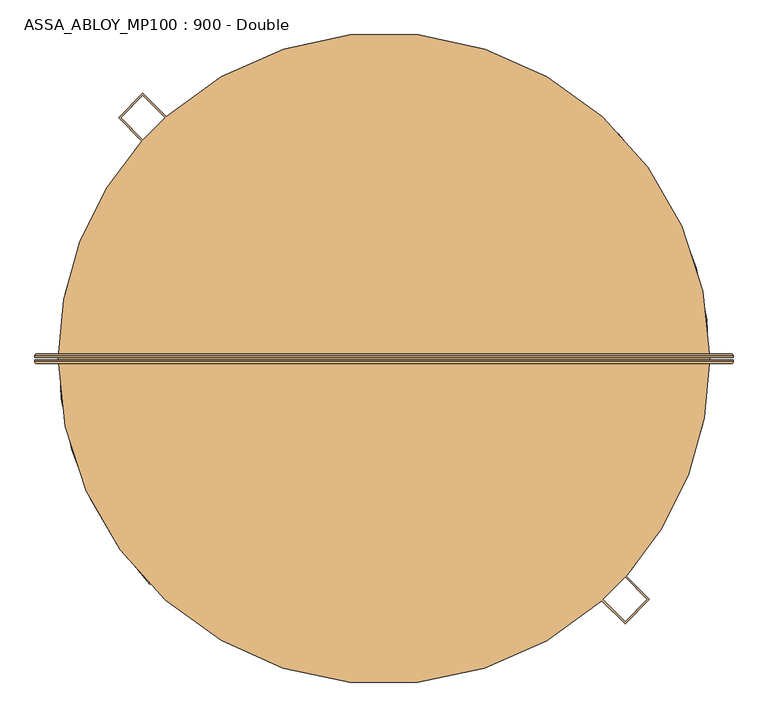
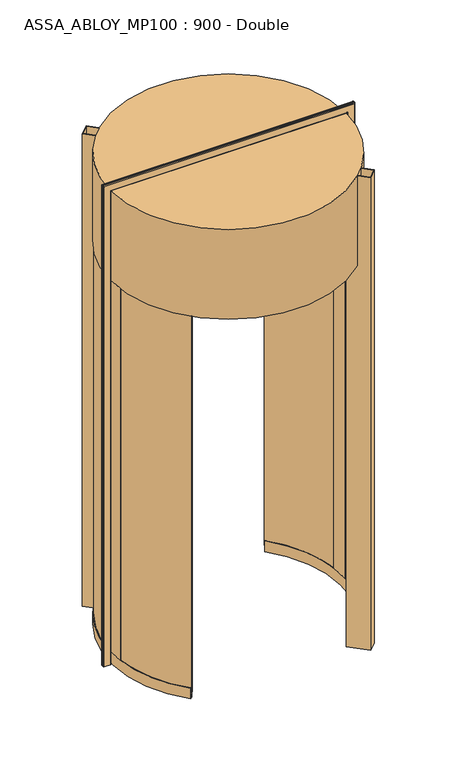
"""IFC4 building model written with IfcOpenShell, lengths in millimetres: door geometry, ASSA_ABLOY_MP100 : 900 - Double."""

from ifc_helpers import new_model, si_unit, point, frame, frame_2d, origin, place, context, project, spatial, polyline, circle_curve, ellipse_curve, trimmed, segment, composite_curve, outline, extrude, source, transform, mapped, element, save
from ifc_brep_helpers import plane_surface, cylinder_surface, revolved_surface, advanced_brep


def assa_abloy_mp100_900_double_1de7a2d5(model_context):
    return source(origin(), model_context, "Body", "SolidModel", [
        advanced_brep(
        [(930.0980762, 11.0, 0.0), (934.0980762, 7.0, 0.0), (934.0980762, 3.0, 0.0), (932.0980762, 3.0, 0.0), (932.0980762, 7.0, 0.0), (930.0980762, 9.0, 0.0), (888.0980762, 9.0, 0.0), (886.0980762, 7.0, 0.0), (886.0980762, 3.0, 0.0), (884.0980762, 3.0, 0.0), (884.0980762, 7.0, 0.0), (888.0980762, 11.0, 0.0), (930.0980762, 11.0, 3260.9980762), (934.0980762, 7.0, 3264.9980762), (934.0980762, 3.0, 3264.9980762), (884.0980762, 7.0, 3214.9980762), (888.0980762, 11.0, 3218.9980762), (-638.0980762, 11.0, 3218.9980762), (-638.0980762, 11.0, 0.0), (-680.0980762, 11.0, 0.0), (-680.0980762, 11.0, 3260.9980762), (-684.0980762, 7.0, 3264.9980762), (-684.0980762, 3.0, 3264.9980762), (-634.0980762, 7.0, 3214.9980762), (-634.0980762, 7.0, 0.0), (-634.0980762, 3.0, 0.0), (-636.0980762, 3.0, 0.0), (-636.0980762, 7.0, 0.0), (-638.0980762, 9.0, 0.0), (-680.0980762, 9.0, 0.0), (-682.0980762, 7.0, 0.0), (-682.0980762, 3.0, 0.0), (-684.0980762, 3.0, 0.0), (-684.0980762, 7.0, 0.0), (-682.0980762, 3.0, 3262.9980762), (932.0980762, 3.0, 3262.9980762), (932.0980762, 7.0, 3262.9980762), (930.0980762, 9.0, 3260.9980762), (-680.0980762, 9.0, 3260.9980762), (-638.0980762, 9.0, 3218.9980762), (888.0980762, 9.0, 3218.9980762), (886.0980762, 7.0, 3216.9980762), (886.0980762, 3.0, 3216.9980762), (-636.0980762, 3.0, 3216.9980762), (-634.0980762, 3.0, 3214.9980762), (884.0980762, 3.0, 3214.9980762), (-682.0980762, 7.0, 3262.9980762), (-636.0980762, 7.0, 3216.9980762)],
        [
            (0, 1, circle_curve(frame((930.0980762, 7.0, 0.0), z_axis=(0.0, 0.0, -1.0), x_axis=(-1.0, 0.0, 0.0)), 4.0)),
            (1, 2),
            (2, 3),
            (3, 4),
            (4, 5, circle_curve(frame((930.0980762, 7.0, 0.0), z_axis=(0.0, 0.0, 1.0), x_axis=(-1.0, 0.0, 0.0)), 2.0)),
            (5, 6),
            (6, 7, circle_curve(frame((888.0980762, 7.0, 0.0), z_axis=(0.0, 0.0, 1.0), x_axis=(-1.0, 0.0, 0.0)), 2.0)),
            (7, 8),
            (8, 9),
            (9, 10),
            (10, 11, circle_curve(frame((888.0980762, 7.0, 0.0), z_axis=(0.0, 0.0, -1.0), x_axis=(-1.0, 0.0, 0.0)), 4.0)),
            (11, 0),
            (0, 12),
            (12, 13, ellipse_curve(frame((930.0980762, 7.0, 3260.9980762), z_axis=(0.7071067811865475, 0.0, -0.7071067811865475), x_axis=(-0.7071067811865474, 0.0, -0.7071067811865476)), 5.6568542, 4.0)),
            (13, 1),
            (13, 14),
            (14, 2),
            (10, 15),
            (15, 16, ellipse_curve(frame((888.0980762, 7.0, 3218.9980762), z_axis=(0.7071067811865475, 0.0, -0.7071067811865475), x_axis=(-0.7071067811865474, 0.0, -0.7071067811865476)), 5.6568542, 4.0)),
            (16, 11),
            (16, 17),
            (17, 18),
            (18, 19),
            (19, 20),
            (20, 12),
            (20, 21, ellipse_curve(frame((-680.0980762, 7.0, 3260.9980762), z_axis=(0.7071067811865475, 0.0, 0.7071067811865475), x_axis=(0.7071067811865476, 0.0, -0.7071067811865474)), 5.6568542, 4.0)),
            (21, 13),
            (21, 22),
            (22, 14),
            (15, 23),
            (23, 17, ellipse_curve(frame((-638.0980762, 7.0, 3218.9980762), z_axis=(0.7071067811865475, 0.0, 0.7071067811865475), x_axis=(0.7071067811865476, 0.0, -0.7071067811865474)), 5.6568542, 4.0)),
            (18, 24, circle_curve(frame((-638.0980762, 7.0, 0.0), z_axis=(0.0, 0.0, -1.0), x_axis=(1.0, 0.0, 0.0)), 4.0)),
            (24, 25),
            (25, 26),
            (26, 27),
            (27, 28, circle_curve(frame((-638.0980762, 7.0, 0.0), z_axis=(0.0, 0.0, 1.0), x_axis=(1.0, 0.0, 0.0)), 2.0)),
            (28, 29),
            (29, 30, circle_curve(frame((-680.0980762, 7.0, 0.0), z_axis=(0.0, 0.0, 1.0), x_axis=(1.0, 0.0, 0.0)), 2.0)),
            (30, 31),
            (31, 32),
            (32, 33),
            (33, 19, circle_curve(frame((-680.0980762, 7.0, 0.0), z_axis=(0.0, 0.0, -1.0), x_axis=(1.0, 0.0, 0.0)), 4.0)),
            (33, 21),
            (32, 22),
            (23, 24),
            (31, 34),
            (34, 35),
            (35, 3),
            (35, 36),
            (36, 4),
            (36, 37, ellipse_curve(frame((930.0980762, 7.0, 3260.9980762), z_axis=(-0.7071067811865475, 0.0, 0.7071067811865475), x_axis=(0.7071067811865474, 0.0, 0.7071067811865476)), 2.8284271, 2.0)),
            (37, 5),
            (37, 38),
            (38, 29),
            (28, 39),
            (39, 40),
            (40, 6),
            (40, 41, ellipse_curve(frame((888.0980762, 7.0, 3218.9980762), z_axis=(-0.7071067811865475, 0.0, 0.7071067811865475), x_axis=(0.7071067811865474, 0.0, 0.7071067811865476)), 2.8284271, 2.0)),
            (41, 7),
            (41, 42),
            (42, 8),
            (42, 43),
            (43, 26),
            (25, 44),
            (44, 45),
            (45, 9),
            (45, 15),
            (34, 46),
            (46, 36),
            (46, 38, ellipse_curve(frame((-680.0980762, 7.0, 3260.9980762), z_axis=(-0.7071067811865475, 0.0, -0.7071067811865475), x_axis=(-0.7071067811865476, 0.0, 0.7071067811865474)), 2.8284271, 2.0)),
            (39, 47, ellipse_curve(frame((-638.0980762, 7.0, 3218.9980762), z_axis=(-0.7071067811865475, 0.0, -0.7071067811865475), x_axis=(-0.7071067811865476, 0.0, 0.7071067811865474)), 2.8284271, 2.0)),
            (47, 41),
            (47, 43),
            (44, 23),
            (30, 46),
            (27, 47),
        ],
        [
            plane_surface(frame((884.1, 0.0, 0.0), z_axis=(0.0, 0.0, -1.0), x_axis=(0.0, -1.0, 0.0))),
            cylinder_surface(frame((930.0980762, 7.0, 0.0), z_axis=(0.0, 0.0, -1.0), x_axis=(-1.0, 0.0, 0.0)), 4.0),
            plane_surface(frame((934.0980762, 7.0, 0.0), z_axis=(1.0, 0.0, 0.0), x_axis=(0.0, 0.0, 1.0))),
            cylinder_surface(frame((888.0980762, 7.0, 0.0), z_axis=(0.0, 0.0, -1.0), x_axis=(-1.0, 0.0, 0.0)), 4.0),
            plane_surface(frame((888.0980762, 11.0, 0.0), z_axis=(0.0, 1.0, 0.0), x_axis=(0.0, 0.0, 1.0))),
            cylinder_surface(frame((884.1, 7.0, 3260.9980762), z_axis=(1.0, 0.0, 0.0), x_axis=(0.0, 0.0, -1.0)), 4.0),
            plane_surface(frame((934.0980762, 7.0, 3264.9980762), z_axis=(0.0, 0.0, 1.0), x_axis=(-1.0, 0.0, 0.0))),
            cylinder_surface(frame((884.1, 7.0, 3218.9980762), z_axis=(1.0, 0.0, 0.0), x_axis=(0.0, 0.0, -1.0)), 4.0),
            plane_surface(frame((-634.1, 0.0, 0.0), z_axis=(0.0, 0.0, -1.0), x_axis=(0.0, -1.0, 0.0))),
            cylinder_surface(frame((-680.0980762, 7.0, 3215.0), z_axis=(0.0, 0.0, 1.0), x_axis=(1.0, 0.0, 0.0)), 4.0),
            plane_surface(frame((-684.0980762, 7.0, 3264.9980762), z_axis=(-1.0, 0.0, 0.0), x_axis=(0.0, 0.0, -1.0))),
            cylinder_surface(frame((-638.0980762, 7.0, 3215.0), z_axis=(0.0, 0.0, 1.0), x_axis=(1.0, 0.0, 0.0)), 4.0),
            plane_surface(frame((934.0980762, 3.0, 0.0), z_axis=(0.0, -1.0, 0.0), x_axis=(0.0, 0.0, 1.0))),
            plane_surface(frame((932.0980762, 3.0, 0.0), z_axis=(-1.0, 0.0, 0.0), x_axis=(0.0, 0.0, 1.0))),
            revolved_surface(polyline([(928.0980762, 7.0, 3262.9980762), (928.0980762, 7.0, 0.0)]), (930.0980762, 7.0, 0.0), (0.0, 0.0, 1.0)),
            plane_surface(frame((930.0980762, 9.0, 0.0), z_axis=(0.0, -1.0, 0.0), x_axis=(0.0, 0.0, 1.0))),
            revolved_surface(polyline([(886.0980762, 7.0, 3220.998076182502), (886.0980762, 7.0, 0.0)]), (888.0980762, 7.0, 0.0), (0.0, 0.0, 1.0)),
            plane_surface(frame((886.0980762, 7.0, 0.0), z_axis=(1.0, 0.0, 0.0), x_axis=(0.0, 0.0, 1.0))),
            plane_surface(frame((886.0980762, 3.0, 0.0), z_axis=(0.0, -1.0, 0.0), x_axis=(0.0, 0.0, 1.0))),
            plane_surface(frame((884.0980762, 3.0, 0.0), z_axis=(-1.0, 0.0, 0.0), x_axis=(0.0, 0.0, 1.0))),
            plane_surface(frame((932.0980762, 3.0, 3262.9980762), z_axis=(0.0, 0.0, -1.0), x_axis=(-1.0, 0.0, 0.0))),
            revolved_surface(polyline([(-682.0980762, 7.0, 3258.9980762), (932.0980762, 7.0, 3258.9980762)]), (884.1, 7.0, 3260.9980762), (-1.0, 0.0, 0.0)),
            revolved_surface(polyline([(-640.0980761825018, 7.0, 3216.9980762), (890.0980761825018, 7.0, 3216.9980762)]), (884.1, 7.0, 3218.9980762), (-1.0, 0.0, 0.0)),
            plane_surface(frame((886.0980762, 7.0, 3216.9980762), z_axis=(0.0, 0.0, 1.0), x_axis=(-1.0, 0.0, 0.0))),
            plane_surface(frame((884.0980762, 3.0, 3214.9980762), z_axis=(0.0, 0.0, -1.0), x_axis=(-1.0, 0.0, 0.0))),
            plane_surface(frame((-682.0980762, 3.0, 3262.9980762), z_axis=(1.0, 0.0, 0.0), x_axis=(0.0, 0.0, -1.0))),
            revolved_surface(polyline([(-678.0980762, 7.0, 0.0), (-678.0980762, 7.0, 3262.9980762)]), (-680.0980762, 7.0, 3215.0), (0.0, 0.0, -1.0)),
            revolved_surface(polyline([(-636.0980762, 7.0, 0.0), (-636.0980762, 7.0, 3220.998076182502)]), (-638.0980762, 7.0, 3215.0), (0.0, 0.0, -1.0)),
            plane_surface(frame((-636.0980762, 7.0, 3216.9980762), z_axis=(-1.0, 0.0, 0.0), x_axis=(0.0, 0.0, -1.0))),
            plane_surface(frame((-634.0980762, 3.0, 3214.9980762), z_axis=(1.0, 0.0, 0.0), x_axis=(0.0, 0.0, -1.0))),
        ],
        [
            (0, [[1, 2, 3, 4, 5, 6, 7, 8, 9, 10, 11, 12]]),
            (1, [[-1, 13, 14, 15]]),
            (2, [[-2, -15, 16, 17]]),
            (3, [[-11, 18, 19, 20]]),
            (4, [[-12, -20, 21, 22, 23, 24, 25, -13]]),
            (5, [[-14, -25, 26, 27]]),
            (6, [[-16, -27, 28, 29]]),
            (7, [[-19, 30, 31, -21]]),
            (8, [[-23, 32, 33, 34, 35, 36, 37, 38, 39, 40, 41, 42]]),
            (9, [[-26, -24, -42, 43]]),
            (10, [[-28, -43, -41, 44]]),
            (11, [[-31, 45, -32, -22]]),
            (12, [[-3, -17, -29, -44, -40, 46, 47, 48]]),
            (13, [[-4, -48, 49, 50]]),
            (14, [[-5, -50, 51, 52]]),
            (15, [[-6, -52, 53, 54, -37, 55, 56, 57]]),
            (16, [[-7, -57, 58, 59]]),
            (17, [[-8, -59, 60, 61]]),
            (18, [[-9, -61, 62, 63, -34, 64, 65, 66]]),
            (19, [[-10, -66, 67, -18]]),
            (20, [[-49, -47, 68, 69]]),
            (21, [[-51, -69, 70, -53]]),
            (22, [[-58, -56, 71, 72]]),
            (23, [[-60, -72, 73, -62]]),
            (24, [[-67, -65, 74, -30]]),
            (25, [[-68, -46, -39, 75]]),
            (26, [[-70, -75, -38, -54]]),
            (27, [[-71, -55, -36, 76]]),
            (28, [[-73, -76, -35, -63]]),
            (29, [[-74, -64, -33, -45]]),
        ],
    ),
        advanced_brep(
        [(884.0980762, -3.0, 0.0), (886.0980762, -3.0, 0.0), (886.0980762, -7.0, 0.0), (888.0980762, -9.0, 0.0), (930.0980762, -9.0, 0.0), (932.0980762, -7.0, 0.0), (932.0980762, -3.0, 0.0), (934.0980762, -3.0, 0.0), (934.0980762, -7.0, 0.0), (930.0980762, -11.0, 0.0), (888.0980762, -11.0, 0.0), (884.0980762, -7.0, 0.0), (934.0980762, -7.0, 3264.9980762), (930.0980762, -11.0, 3260.9980762), (-680.0980762, -11.0, 3260.9980762), (-680.0980762, -11.0, 0.0), (-638.0980762, -11.0, 0.0), (-638.0980762, -11.0, 3218.9980762), (888.0980762, -11.0, 3218.9980762), (884.0980762, -7.0, 3214.9980762), (884.0980762, -3.0, 3214.9980762), (-684.0980762, -7.0, 3264.9980762), (-634.0980762, -7.0, 3214.9980762), (-634.0980762, -3.0, 3214.9980762), (-634.0980762, -3.0, 0.0), (-634.0980762, -7.0, 0.0), (-684.0980762, -7.0, 0.0), (-684.0980762, -3.0, 0.0), (-682.0980762, -3.0, 0.0), (-682.0980762, -7.0, 0.0), (-680.0980762, -9.0, 0.0), (-638.0980762, -9.0, 0.0), (-636.0980762, -7.0, 0.0), (-636.0980762, -3.0, 0.0), (-636.0980762, -3.0, 3216.9980762), (886.0980762, -3.0, 3216.9980762), (886.0980762, -7.0, 3216.9980762), (888.0980762, -9.0, 3218.9980762), (-638.0980762, -9.0, 3218.9980762), (-680.0980762, -9.0, 3260.9980762), (930.0980762, -9.0, 3260.9980762), (932.0980762, -7.0, 3262.9980762), (932.0980762, -3.0, 3262.9980762), (-682.0980762, -3.0, 3262.9980762), (-684.0980762, -3.0, 3264.9980762), (934.0980762, -3.0, 3264.9980762), (-636.0980762, -7.0, 3216.9980762), (-682.0980762, -7.0, 3262.9980762)],
        [
            (0, 1),
            (1, 2),
            (2, 3, circle_curve(frame((888.0980762, -7.0, 0.0), z_axis=(0.0, 0.0, 1.0), x_axis=(-1.0, 0.0, 0.0)), 2.0)),
            (3, 4),
            (4, 5, circle_curve(frame((930.0980762, -7.0, 0.0), z_axis=(0.0, 0.0, 1.0), x_axis=(-1.0, 0.0, 0.0)), 2.0)),
            (5, 6),
            (6, 7),
            (7, 8),
            (8, 9, circle_curve(frame((930.0980762, -7.0, 0.0), z_axis=(0.0, 0.0, -1.0), x_axis=(-1.0, 0.0, 0.0)), 4.0)),
            (9, 10),
            (10, 11, circle_curve(frame((888.0980762, -7.0, 0.0), z_axis=(0.0, 0.0, -1.0), x_axis=(-1.0, 0.0, 0.0)), 4.0)),
            (11, 0),
            (8, 12),
            (12, 13, ellipse_curve(frame((930.0980762, -7.0, 3260.9980762), z_axis=(0.7071067811865475, 0.0, -0.7071067811865475), x_axis=(-0.7071067811865474, 0.0, -0.7071067811865476)), 5.6568542, 4.0)),
            (13, 9),
            (13, 14),
            (14, 15),
            (15, 16),
            (16, 17),
            (17, 18),
            (18, 10),
            (18, 19, ellipse_curve(frame((888.0980762, -7.0, 3218.9980762), z_axis=(0.7071067811865475, 0.0, -0.7071067811865475), x_axis=(-0.7071067811865474, 0.0, -0.7071067811865476)), 5.6568542, 4.0)),
            (19, 11),
            (19, 20),
            (20, 0),
            (12, 21),
            (21, 14, ellipse_curve(frame((-680.0980762, -7.0, 3260.9980762), z_axis=(0.7071067811865475, 0.0, 0.7071067811865475), x_axis=(0.7071067811865476, 0.0, -0.7071067811865474)), 5.6568542, 4.0)),
            (17, 22, ellipse_curve(frame((-638.0980762, -7.0, 3218.9980762), z_axis=(0.7071067811865475, 0.0, 0.7071067811865475), x_axis=(0.7071067811865476, 0.0, -0.7071067811865474)), 5.6568542, 4.0)),
            (22, 19),
            (22, 23),
            (23, 20),
            (24, 25),
            (25, 16, circle_curve(frame((-638.0980762, -7.0, 0.0), z_axis=(0.0, 0.0, -1.0), x_axis=(1.0, 0.0, 0.0)), 4.0)),
            (15, 26, circle_curve(frame((-680.0980762, -7.0, 0.0), z_axis=(0.0, 0.0, -1.0), x_axis=(1.0, 0.0, 0.0)), 4.0)),
            (26, 27),
            (27, 28),
            (28, 29),
            (29, 30, circle_curve(frame((-680.0980762, -7.0, 0.0), z_axis=(0.0, 0.0, 1.0), x_axis=(1.0, 0.0, 0.0)), 2.0)),
            (30, 31),
            (31, 32, circle_curve(frame((-638.0980762, -7.0, 0.0), z_axis=(0.0, 0.0, 1.0), x_axis=(1.0, 0.0, 0.0)), 2.0)),
            (32, 33),
            (33, 24),
            (21, 26),
            (25, 22),
            (24, 23),
            (33, 34),
            (34, 35),
            (35, 1),
            (35, 36),
            (36, 2),
            (36, 37, ellipse_curve(frame((888.0980762, -7.0, 3218.9980762), z_axis=(-0.7071067811865475, 0.0, 0.7071067811865475), x_axis=(0.7071067811865474, 0.0, 0.7071067811865476)), 2.8284271, 2.0)),
            (37, 3),
            (37, 38),
            (38, 31),
            (30, 39),
            (39, 40),
            (40, 4),
            (40, 41, ellipse_curve(frame((930.0980762, -7.0, 3260.9980762), z_axis=(-0.7071067811865475, 0.0, 0.7071067811865475), x_axis=(0.7071067811865474, 0.0, 0.7071067811865476)), 2.8284271, 2.0)),
            (41, 5),
            (41, 42),
            (42, 6),
            (42, 43),
            (43, 28),
            (27, 44),
            (44, 45),
            (45, 7),
            (45, 12),
            (34, 46),
            (46, 36),
            (46, 38, ellipse_curve(frame((-638.0980762, -7.0, 3218.9980762), z_axis=(-0.7071067811865475, 0.0, -0.7071067811865475), x_axis=(-0.7071067811865476, 0.0, 0.7071067811865474)), 2.8284271, 2.0)),
            (39, 47, ellipse_curve(frame((-680.0980762, -7.0, 3260.9980762), z_axis=(-0.7071067811865475, 0.0, -0.7071067811865475), x_axis=(-0.7071067811865476, 0.0, 0.7071067811865474)), 2.8284271, 2.0)),
            (47, 41),
            (47, 43),
            (44, 21),
            (32, 46),
            (29, 47),
        ],
        [
            plane_surface(frame((884.1, 0.0, 0.0), z_axis=(0.0, 0.0, -1.0), x_axis=(0.0, -1.0, 0.0))),
            cylinder_surface(frame((930.0980762, -7.0, 0.0), z_axis=(0.0, 0.0, -1.0), x_axis=(-1.0, 0.0, 0.0)), 4.0),
            plane_surface(frame((930.0980762, -11.0, 0.0), z_axis=(0.0, -1.0, 0.0), x_axis=(0.0, 0.0, 1.0))),
            cylinder_surface(frame((888.0980762, -7.0, 0.0), z_axis=(0.0, 0.0, -1.0), x_axis=(-1.0, 0.0, 0.0)), 4.0),
            plane_surface(frame((884.0980762, -7.0, 0.0), z_axis=(-1.0, 0.0, 0.0), x_axis=(0.0, 0.0, 1.0))),
            cylinder_surface(frame((884.1, -7.0, 3260.9980762), z_axis=(1.0, 0.0, 0.0), x_axis=(0.0, 0.0, -1.0)), 4.0),
            cylinder_surface(frame((884.1, -7.0, 3218.9980762), z_axis=(1.0, 0.0, 0.0), x_axis=(0.0, 0.0, -1.0)), 4.0),
            plane_surface(frame((884.0980762, -7.0, 3214.9980762), z_axis=(0.0, 0.0, -1.0), x_axis=(-1.0, 0.0, 0.0))),
            plane_surface(frame((-634.1, 0.0, 0.0), z_axis=(0.0, 0.0, -1.0), x_axis=(0.0, -1.0, 0.0))),
            cylinder_surface(frame((-680.0980762, -7.0, 3215.0), z_axis=(0.0, 0.0, 1.0), x_axis=(1.0, 0.0, 0.0)), 4.0),
            cylinder_surface(frame((-638.0980762, -7.0, 3215.0), z_axis=(0.0, 0.0, 1.0), x_axis=(1.0, 0.0, 0.0)), 4.0),
            plane_surface(frame((-634.0980762, -7.0, 3214.9980762), z_axis=(1.0, 0.0, 0.0), x_axis=(0.0, 0.0, -1.0))),
            plane_surface(frame((884.0980762, -3.0, 0.0), z_axis=(0.0, 1.0, 0.0), x_axis=(0.0, 0.0, 1.0))),
            plane_surface(frame((886.0980762, -3.0, 0.0), z_axis=(1.0, 0.0, 0.0), x_axis=(0.0, 0.0, 1.0))),
            revolved_surface(polyline([(886.0980762, -7.0, 3220.998076182502), (886.0980762, -7.0, 0.0)]), (888.0980762, -7.0, 0.0), (0.0, 0.0, 1.0)),
            plane_surface(frame((888.0980762, -9.0, 0.0), z_axis=(0.0, 1.0, 0.0), x_axis=(0.0, 0.0, 1.0))),
            revolved_surface(polyline([(928.0980762, -7.0, 3262.9980762), (928.0980762, -7.0, 0.0)]), (930.0980762, -7.0, 0.0), (0.0, 0.0, 1.0)),
            plane_surface(frame((932.0980762, -7.0, 0.0), z_axis=(-1.0, 0.0, 0.0), x_axis=(0.0, 0.0, 1.0))),
            plane_surface(frame((932.0980762, -3.0, 0.0), z_axis=(0.0, 1.0, 0.0), x_axis=(0.0, 0.0, 1.0))),
            plane_surface(frame((934.0980762, -3.0, 0.0), z_axis=(1.0, 0.0, 0.0), x_axis=(0.0, 0.0, 1.0))),
            plane_surface(frame((886.0980762, -3.0, 3216.9980762), z_axis=(0.0, 0.0, 1.0), x_axis=(-1.0, 0.0, 0.0))),
            revolved_surface(polyline([(-640.0980761825018, -7.0, 3216.9980762), (890.0980761825018, -7.0, 3216.9980762)]), (884.1, -7.0, 3218.9980762), (-1.0, 0.0, 0.0)),
            revolved_surface(polyline([(-682.0980762, -7.0, 3258.9980762), (932.0980762, -7.0, 3258.9980762)]), (884.1, -7.0, 3260.9980762), (-1.0, 0.0, 0.0)),
            plane_surface(frame((932.0980762, -7.0, 3262.9980762), z_axis=(0.0, 0.0, -1.0), x_axis=(-1.0, 0.0, 0.0))),
            plane_surface(frame((934.0980762, -3.0, 3264.9980762), z_axis=(0.0, 0.0, 1.0), x_axis=(-1.0, 0.0, 0.0))),
            plane_surface(frame((-636.0980762, -3.0, 3216.9980762), z_axis=(-1.0, 0.0, 0.0), x_axis=(0.0, 0.0, -1.0))),
            revolved_surface(polyline([(-636.0980762, -7.0, 0.0), (-636.0980762, -7.0, 3220.998076182502)]), (-638.0980762, -7.0, 3215.0), (0.0, 0.0, -1.0)),
            revolved_surface(polyline([(-678.0980762, -7.0, 0.0), (-678.0980762, -7.0, 3262.9980762)]), (-680.0980762, -7.0, 3215.0), (0.0, 0.0, -1.0)),
            plane_surface(frame((-682.0980762, -7.0, 3262.9980762), z_axis=(1.0, 0.0, 0.0), x_axis=(0.0, 0.0, -1.0))),
            plane_surface(frame((-684.0980762, -3.0, 3264.9980762), z_axis=(-1.0, 0.0, 0.0), x_axis=(0.0, 0.0, -1.0))),
        ],
        [
            (0, [[1, 2, 3, 4, 5, 6, 7, 8, 9, 10, 11, 12]]),
            (1, [[-9, 13, 14, 15]]),
            (2, [[-10, -15, 16, 17, 18, 19, 20, 21]]),
            (3, [[-11, -21, 22, 23]]),
            (4, [[-12, -23, 24, 25]]),
            (5, [[-14, 26, 27, -16]]),
            (6, [[-22, -20, 28, 29]]),
            (7, [[-24, -29, 30, 31]]),
            (8, [[32, 33, -18, 34, 35, 36, 37, 38, 39, 40, 41, 42]]),
            (9, [[-27, 43, -34, -17]]),
            (10, [[-28, -19, -33, 44]]),
            (11, [[-30, -44, -32, 45]]),
            (12, [[-1, -25, -31, -45, -42, 46, 47, 48]]),
            (13, [[-2, -48, 49, 50]]),
            (14, [[-3, -50, 51, 52]]),
            (15, [[-4, -52, 53, 54, -39, 55, 56, 57]]),
            (16, [[-5, -57, 58, 59]]),
            (17, [[-6, -59, 60, 61]]),
            (18, [[-7, -61, 62, 63, -36, 64, 65, 66]]),
            (19, [[-8, -66, 67, -13]]),
            (20, [[-49, -47, 68, 69]]),
            (21, [[-51, -69, 70, -53]]),
            (22, [[-58, -56, 71, 72]]),
            (23, [[-60, -72, 73, -62]]),
            (24, [[-67, -65, 74, -26]]),
            (25, [[-68, -46, -41, 75]]),
            (26, [[-70, -75, -40, -54]]),
            (27, [[-71, -55, -38, 76]]),
            (28, [[-73, -76, -37, -63]]),
            (29, [[-74, -64, -35, -43]]),
        ],
    ),
        advanced_brep(
        [(-403.3315152, -508.8825135, 73.0), (-405.492233, -510.9636907, 73.0), (-405.492233, -510.9636907, 39.0), (-415.5755828, -520.675851, 39.0), (-415.5755828, -520.675851, 73.0), (-417.7363006, -522.7570282, 73.0), (-417.7363006, -522.7570282, 0.0), (-415.5755828, -520.675851, 0.0), (-415.5755828, -520.675851, 24.0), (-405.492233, -510.9636907, 24.0), (-405.492233, -510.9636907, 0.0), (-403.3315152, -508.8825135, 0.0), (-432.6233523, 476.6044476, 73.0), (-432.6233523, 476.6044476, 0.0), (-434.9038649, 478.5536172, 0.0), (-434.9038649, 478.5536172, 24.0), (-445.5462573, 487.6497419, 24.0), (-445.5462573, 487.6497419, 0.0), (-447.82677, 489.5989115, 0.0), (-447.82677, 489.5989115, 73.0), (-445.5462573, 487.6497419, 73.0), (-445.5462573, 487.6497419, 39.0), (-434.9038649, 478.5536172, 39.0), (-434.9038649, 478.5536172, 73.0), (-603.0898904, -89.3348417, 73.0), (-606.0675602, -89.7001945, 73.0), (-611.1352483, 24.7143418, 73.0), (-608.1369376, 24.6136792, 73.0), (-625.1273661, 25.1840637, 73.0), (-619.963357, -91.4051375, 73.0), (-622.9410268, -91.7704902, 73.0), (-628.1256768, 25.2847262, 73.0), (-628.1256768, 25.2847262, 2600.0), (-622.9410268, -91.7704902, 2600.0), (-619.963357, -91.4051375, 2600.0), (-625.1273661, 25.1840637, 2600.0), (-608.1369376, 24.6136792, 2600.0), (-611.1352483, 24.7143418, 2600.0), (-606.0675602, -89.7001945, 2600.0), (-603.0898904, -89.3348417, 2600.0)],
        [
            (0, 1),
            (1, 2),
            (2, 3),
            (3, 4),
            (4, 5),
            (5, 6),
            (6, 7),
            (7, 8),
            (8, 9),
            (9, 10),
            (10, 11),
            (11, 0),
            (12, 13),
            (13, 14),
            (14, 15),
            (15, 16),
            (16, 17),
            (17, 18),
            (18, 19),
            (19, 20),
            (20, 21),
            (21, 22),
            (22, 23),
            (23, 12),
            (0, 24, circle_curve(frame((125.0, 0.0, 73.0), z_axis=(0.0, 0.0, -1.0), x_axis=(-0.7202392682397201, -0.6937257357814488, 0.0)), 733.55)),
            (24, 25),
            (25, 1, circle_curve(frame((125.0, 0.0, 73.0), z_axis=(0.0, 0.0, 1.0), x_axis=(-0.7202392682397201, -0.6937257357814488, 0.0)), 736.55)),
            (23, 26, circle_curve(frame((125.0, 0.0, 73.0), z_axis=(0.0, 0.0, 1.0), x_axis=(-0.7202392682397201, -0.6937257357814488, 0.0)), 736.55)),
            (26, 27),
            (27, 12, circle_curve(frame((125.0, 0.0, 73.0), z_axis=(0.0, 0.0, -1.0), x_axis=(-0.7202392682397201, -0.6937257357814488, 0.0)), 733.55)),
            (25, 26, circle_curve(frame((125.0, 0.0, 73.0), z_axis=(0.0, 0.0, -1.0), x_axis=(-0.7202392682397201, -0.6937257357814488, 0.0)), 736.55)),
            (22, 2, circle_curve(frame((125.0, 0.0, 39.0), z_axis=(0.0, 0.0, 1.0), x_axis=(-0.7202392682397201, -0.6937257357814488, 0.0)), 736.55)),
            (21, 3, circle_curve(frame((125.0, 0.0, 39.0), z_axis=(0.0, 0.0, 1.0), x_axis=(-0.7202392682397201, -0.6937257357814488, 0.0)), 750.55)),
            (20, 28, circle_curve(frame((125.0, 0.0, 73.0), z_axis=(0.0, 0.0, 1.0), x_axis=(-0.7202392682397201, -0.6937257357814488, 0.0)), 750.55)),
            (28, 29, circle_curve(frame((125.0, 0.0, 73.0), z_axis=(0.0, 0.0, 1.0), x_axis=(-0.7202392682397201, -0.6937257357814488, 0.0)), 750.55)),
            (29, 4, circle_curve(frame((125.0, 0.0, 73.0), z_axis=(0.0, 0.0, 1.0), x_axis=(-0.7202392682397201, -0.6937257357814488, 0.0)), 750.55)),
            (29, 30),
            (30, 5, circle_curve(frame((125.0, 0.0, 73.0), z_axis=(0.0, 0.0, 1.0), x_axis=(-0.7202392682397201, -0.6937257357814488, 0.0)), 753.55)),
            (19, 31, circle_curve(frame((125.0, 0.0, 73.0), z_axis=(0.0, 0.0, 1.0), x_axis=(-0.7202392682397201, -0.6937257357814488, 0.0)), 753.55)),
            (31, 28),
            (30, 31, circle_curve(frame((125.0, 0.0, 73.0), z_axis=(0.0, 0.0, -1.0), x_axis=(-0.7202392682397201, -0.6937257357814488, 0.0)), 753.55)),
            (18, 6, circle_curve(frame((125.0, 0.0, 0.0), z_axis=(0.0, 0.0, 1.0), x_axis=(-0.7202392682397201, -0.6937257357814488, 0.0)), 753.55)),
            (17, 7, circle_curve(frame((125.0, 0.0, 0.0), z_axis=(0.0, 0.0, 1.0), x_axis=(-0.7202392682397201, -0.6937257357814488, 0.0)), 750.55)),
            (16, 8, circle_curve(frame((125.0, 0.0, 24.0), z_axis=(0.0, 0.0, 1.0), x_axis=(-0.7202392682397201, -0.6937257357814488, 0.0)), 750.55)),
            (15, 9, circle_curve(frame((125.0, 0.0, 24.0), z_axis=(0.0, 0.0, 1.0), x_axis=(-0.7202392682397201, -0.6937257357814488, 0.0)), 736.55)),
            (14, 10, circle_curve(frame((125.0, 0.0, 0.0), z_axis=(0.0, 0.0, 1.0), x_axis=(-0.7202392682397201, -0.6937257357814488, 0.0)), 736.55)),
            (13, 11, circle_curve(frame((125.0, 0.0, 0.0), z_axis=(0.0, 0.0, 1.0), x_axis=(-0.7202392682397201, -0.6937257357814488, 0.0)), 733.55)),
            (27, 24, circle_curve(frame((125.0, 0.0, 73.0), z_axis=(0.0, 0.0, 1.0), x_axis=(-0.7202392682397201, -0.6937257357814488, 0.0)), 733.55)),
            (32, 33, circle_curve(frame((125.0, 0.0, 2600.0), z_axis=(0.0, 0.0, 1.0), x_axis=(0.7071067811865459, -0.7071067811865491, 0.0)), 753.55)),
            (33, 34),
            (34, 35, circle_curve(frame((125.0, 0.0, 2600.0), z_axis=(0.0, 0.0, -1.0), x_axis=(0.7071067811865459, -0.7071067811865491, 0.0)), 750.55)),
            (35, 32),
            (32, 31),
            (30, 33),
            (29, 34),
            (28, 35),
            (36, 37),
            (37, 38, circle_curve(frame((125.0, 0.0, 2600.0), z_axis=(0.0, 0.0, 1.0), x_axis=(0.7071067811865459, -0.7071067811865492, 0.0)), 736.55)),
            (38, 39),
            (39, 36, circle_curve(frame((125.0, 0.0, 2600.0), z_axis=(0.0, 0.0, -1.0), x_axis=(0.7071067811865459, -0.7071067811865492, 0.0)), 733.55)),
            (36, 27),
            (26, 37),
            (25, 38),
            (24, 39),
        ],
        [
            plane_surface(frame((-410.5339079, -515.8197708, 0.0), z_axis=(0.6937257357814489, -0.7202392682397202, 0.0), x_axis=(0.0, 0.0, 1.0))),
            plane_surface(frame((-440.2250611, 483.1016796, 0.0), z_axis=(0.6497231921869124, 0.7601708844295791, 0.0), x_axis=(0.0, 0.0, 1.0))),
            plane_surface(frame((125.0, 0.0, 73.0), z_axis=(0.0, 0.0, 1.0), x_axis=(-0.7202392682397201, -0.6937257357814488, 0.0))),
            cylinder_surface(frame((125.0, 0.0, 0.0), z_axis=(0.0, 0.0, -1.0), x_axis=(-0.7202392682397201, -0.6937257357814488, 0.0)), 736.55),
            plane_surface(frame((125.0, 0.0, 39.0), z_axis=(0.0, 0.0, 1.0), x_axis=(-0.7202392682397201, -0.6937257357814488, 0.0))),
            revolved_surface(polyline([(-415.57558277732187, -520.6758509907663, 39.0), (-415.57558277732187, -520.6758509907663, 73.0)]), (125.0, 0.0, 0.0), (0.0, 0.0, -1.0)),
            cylinder_surface(frame((125.0, 0.0, 0.0), z_axis=(0.0, 0.0, -1.0), x_axis=(-0.7202392682397201, -0.6937257357814488, 0.0)), 753.55),
            plane_surface(frame((125.0, 0.0, 0.0), z_axis=(0.0, 0.0, -1.0), x_axis=(-0.7202392682397201, -0.6937257357814488, 0.0))),
            revolved_surface(polyline([(-415.57558277732187, -520.6758509907663, 0.0), (-415.57558277732187, -520.6758509907663, 24.0)]), (125.0, 0.0, 0.0), (0.0, 0.0, -1.0)),
            plane_surface(frame((125.0, 0.0, 24.0), z_axis=(0.0, 0.0, -1.0), x_axis=(-0.7202392682397201, -0.6937257357814488, 0.0))),
            revolved_surface(polyline([(-403.33151521724665, -508.8825134824817, 0.0), (-403.33151521724665, -508.8825134824817, 73.0)]), (125.0, 0.0, 0.0), (0.0, 0.0, -1.0)),
            plane_surface(frame((657.840315, -532.840315, 2600.0), z_axis=(0.0, 0.0, 1.0), x_axis=(0.7071067811865491, 0.7071067811865459, 0.0))),
            cylinder_surface(frame((125.0, 0.0, 73.0), z_axis=(0.0, 0.0, 1.0), x_axis=(0.7071067811865459, -0.7071067811865491, 0.0)), 753.55),
            plane_surface(frame((-622.9410268, -91.7704902, 2600.0), z_axis=(0.12178423189119314, -0.992556598317029, 0.0), x_axis=(0.0, 0.0, -1.0))),
            revolved_surface(polyline([(655.718994619562, -530.7189946195645, 73.0), (655.718994619562, -530.7189946195645, 2600.0)]), (125.0, 0.0, 73.0), (0.0, 0.0, -1.0)),
            plane_surface(frame((-625.1273661, 25.1840637, 2600.0), z_axis=(0.033554168940504565, 0.9994369003327385, 0.0), x_axis=(0.0, 0.0, -1.0))),
            plane_surface(frame((-608.1369376, 24.6136792, 2600.0), z_axis=(0.0, 0.0, 1.0000000000000002), x_axis=(-0.9994368993523267, 0.03355419814281517, 0.0))),
            plane_surface(frame((-608.1369376, 24.6136792, 2600.0), z_axis=(0.03355419814281517, 0.9994368993523267, 0.0), x_axis=(0.0, 0.0, -1.0))),
            cylinder_surface(frame((125.0, 0.0, 73.0), z_axis=(0.0, 0.0, 1.0000000000000002), x_axis=(0.7071067811865459, -0.7071067811865492, 0.0)), 736.55),
            plane_surface(frame((-606.0675602, -89.7001945, 2600.0), z_axis=(0.12178426079545666, -0.9925565947705473, 0.0), x_axis=(0.0, 0.0, -1.0))),
            revolved_surface(polyline([(643.6981793393907, -518.6981793393932, 73.0), (643.6981793393907, -518.6981793393932, 2600.000000000001)]), (125.0, 0.0, 73.0), (0.0, 0.0, -1.0000000000000002)),
        ],
        [
            (0, [[1, 2, 3, 4, 5, 6, 7, 8, 9, 10, 11, 12]]),
            (1, [[13, 14, 15, 16, 17, 18, 19, 20, 21, 22, 23, 24]]),
            (2, [[-1, 25, 26, 27]]),
            (2, [[-24, 28, 29, 30]]),
            (3, [[-2, -27, 31, -28, -23, 32]]),
            (4, [[-3, -32, -22, 33]]),
            (5, [[-4, -33, -21, 34, 35, 36]]),
            (2, [[-5, -36, 37, 38]]),
            (2, [[-20, 39, 40, -34]]),
            (6, [[-6, -38, 41, -39, -19, 42]]),
            (7, [[-7, -42, -18, 43]]),
            (8, [[-8, -43, -17, 44]]),
            (9, [[-9, -44, -16, 45]]),
            (3, [[-10, -45, -15, 46]]),
            (7, [[-11, -46, -14, 47]]),
            (10, [[-12, -47, -13, -30, 48, -25]]),
            (11, [[49, 50, 51, 52]]),
            (12, [[-49, 53, -41, 54]]),
            (13, [[-50, -54, -37, 55]]),
            (14, [[-51, -55, -35, 56]]),
            (15, [[-52, -56, -40, -53]]),
            (16, [[57, 58, 59, 60]]),
            (17, [[-57, 61, -29, 62]]),
            (18, [[-58, -62, -31, 63]]),
            (19, [[-59, -63, -26, 64]]),
            (20, [[-60, -64, -48, -61]]),
        ],
    ),
        advanced_brep(
        [(872.9395928, 91.7703586, 2600.0), (869.961923, 91.4050058, 2600.0), (875.1259261, -25.1840593, 2600.0), (878.1242368, -25.2847219, 2600.0), (872.9395928, 91.7703586, 73.0), (869.961923, 91.4050058, 73.0), (875.1259261, -25.1840593, 73.0), (878.1242368, -25.2847219, 73.0), (695.5477914, -487.6457316, 24.0), (695.5477914, -487.6457316, 0.0), (697.8283145, -489.5948889, 0.0), (697.8283145, -489.5948889, 73.0), (695.5477914, -487.6457316, 73.0), (695.5477914, -487.6457316, 39.0), (684.90535, -478.5496643, 39.0), (684.90535, -478.5496643, 73.0), (682.6248268, -476.600507, 73.0), (682.6248268, -476.600507, 0.0), (684.90535, -478.5496643, 0.0), (684.90535, -478.5496643, 24.0), (665.576508, 520.6728155, 24.0), (655.4931216, 510.9606932, 24.0), (655.4931216, 510.9606932, 0.0), (653.332396, 508.8795241, 0.0), (653.332396, 508.8795241, 73.0), (655.4931216, 510.9606932, 73.0), (655.4931216, 510.9606932, 39.0), (665.576508, 520.6728155, 39.0), (665.576508, 520.6728155, 73.0), (667.7372336, 522.7539846, 73.0), (667.7372336, 522.7539846, 0.0), (665.576508, 520.6728155, 0.0), (856.0661307, 89.700026, 73.0), (861.1338095, -24.7143004, 73.0), (858.1354988, -24.6136378, 73.0), (853.0884609, 89.3346732, 73.0), (853.0884609, 89.3346732, 2600.0), (858.1354988, -24.6136378, 2600.0), (861.1338095, -24.7143004, 2600.0), (856.0661307, 89.700026, 2600.0)],
        [
            (0, 1),
            (1, 2, circle_curve(frame((125.0, 0.0, 2600.0), z_axis=(0.0, 0.0, -1.0), x_axis=(-0.7071067811865481, -0.7071067811865469, 0.0)), 750.5485606)),
            (2, 3),
            (3, 0, circle_curve(frame((125.0, 0.0, 2600.0), z_axis=(0.0, 0.0, 1.0), x_axis=(-0.7071067811865481, -0.7071067811865469, 0.0)), 753.5485606)),
            (0, 4),
            (4, 5),
            (5, 1),
            (5, 6, circle_curve(frame((125.0, 0.0, 73.0), z_axis=(0.0, 0.0, -1.0), x_axis=(-0.7071067811865481, -0.7071067811865469, 0.0)), 750.5485606)),
            (6, 2),
            (6, 7),
            (7, 3),
            (7, 4, circle_curve(frame((125.0, 0.0, 73.0), z_axis=(0.0, 0.0, 1.0), x_axis=(-0.7071067811865481, -0.7071067811865469, 0.0)), 753.5485606)),
            (8, 9),
            (9, 10),
            (10, 11),
            (11, 12),
            (12, 13),
            (13, 14),
            (14, 15),
            (15, 16),
            (16, 17),
            (17, 18),
            (18, 19),
            (19, 8),
            (20, 21),
            (21, 22),
            (22, 23),
            (23, 24),
            (24, 25),
            (25, 26),
            (26, 27),
            (27, 28),
            (28, 29),
            (29, 30),
            (30, 31),
            (31, 20),
            (8, 20, circle_curve(frame((125.0, 0.0, 24.0), z_axis=(0.0, 0.0, 1.0), x_axis=(0.7601743862281888, -0.6497190950884825, 0.0)), 750.5485606)),
            (31, 9, circle_curve(frame((125.0, 0.0, 0.0), z_axis=(0.0, 0.0, -1.0), x_axis=(0.7601743862281888, -0.6497190950884825, 0.0)), 750.5485606)),
            (30, 10, circle_curve(frame((125.0, 0.0, 0.0), z_axis=(0.0, 0.0, -1.0), x_axis=(0.7601743862281888, -0.6497190950884825, 0.0)), 753.5485606)),
            (29, 4, circle_curve(frame((125.0, 0.0, 73.0), z_axis=(0.0, 0.0, -1.0), x_axis=(0.7601743862281888, -0.6497190950884825, 0.0)), 753.5485606)),
            (7, 11, circle_curve(frame((125.0, 0.0, 73.0), z_axis=(0.0, 0.0, -1.0), x_axis=(0.7601743862281888, -0.6497190950884825, 0.0)), 753.5485606)),
            (6, 12, circle_curve(frame((125.0, 0.0, 73.0), z_axis=(0.0, 0.0, -1.0), x_axis=(0.7601743862281888, -0.6497190950884825, 0.0)), 750.5485606)),
            (28, 5, circle_curve(frame((125.0, 0.0, 73.0), z_axis=(0.0, 0.0, -1.0), x_axis=(0.7601743862281888, -0.6497190950884825, 0.0)), 750.5485606)),
            (27, 13, circle_curve(frame((125.0, 0.0, 39.0), z_axis=(0.0, 0.0, -1.0), x_axis=(0.7601743862281888, -0.6497190950884825, 0.0)), 750.5485606)),
            (26, 14, circle_curve(frame((125.0, 0.0, 39.0), z_axis=(0.0, 0.0, -1.0), x_axis=(0.7601743862281888, -0.6497190950884825, 0.0)), 736.5485606)),
            (25, 32, circle_curve(frame((125.0, 0.0, 73.0), z_axis=(0.0, 0.0, -1.0), x_axis=(0.7601743862281888, -0.6497190950884825, 0.0)), 736.5485606)),
            (32, 33, circle_curve(frame((125.0, 0.0, 73.0), z_axis=(0.0, 0.0, -1.0), x_axis=(0.7601743862281888, -0.6497190950884825, 0.0)), 736.5485606)),
            (33, 15, circle_curve(frame((125.0, 0.0, 73.0), z_axis=(0.0, 0.0, -1.0), x_axis=(0.7601743862281888, -0.6497190950884825, 0.0)), 736.5485606)),
            (33, 34),
            (34, 16, circle_curve(frame((125.0, 0.0, 73.0), z_axis=(0.0, 0.0, -1.0), x_axis=(0.7601743862281888, -0.6497190950884825, 0.0)), 733.5485606)),
            (24, 35, circle_curve(frame((125.0, 0.0, 73.0), z_axis=(0.0, 0.0, -1.0), x_axis=(0.7601743862281888, -0.6497190950884825, 0.0)), 733.5485606)),
            (35, 32),
            (34, 35, circle_curve(frame((125.0, 0.0, 73.0), z_axis=(0.0, 0.0, 1.0), x_axis=(0.7601743862281888, -0.6497190950884825, 0.0)), 733.5485606)),
            (23, 17, circle_curve(frame((125.0, 0.0, 0.0), z_axis=(0.0, 0.0, -1.0), x_axis=(0.7601743862281888, -0.6497190950884825, 0.0)), 733.5485606)),
            (22, 18, circle_curve(frame((125.0, 0.0, 0.0), z_axis=(0.0, 0.0, -1.0), x_axis=(0.7601743862281888, -0.6497190950884825, 0.0)), 736.5485606)),
            (21, 19, circle_curve(frame((125.0, 0.0, 24.0), z_axis=(0.0, 0.0, -1.0), x_axis=(0.7601743862281888, -0.6497190950884825, 0.0)), 736.5485606)),
            (36, 37, circle_curve(frame((125.0, 0.0, 2600.0), z_axis=(0.0, 0.0, -1.0), x_axis=(-0.707106781186548, -0.707106781186547, 0.0)), 733.5485606)),
            (37, 38),
            (38, 39, circle_curve(frame((125.0, 0.0, 2600.0), z_axis=(0.0, 0.0, 1.0), x_axis=(-0.707106781186548, -0.707106781186547, 0.0)), 736.5485606)),
            (39, 36),
            (36, 35),
            (34, 37),
            (33, 38),
            (32, 39),
        ],
        [
            plane_surface(frame((872.9395928, 91.7703586, 2600.0), z_axis=(0.0, 0.0, 1.0000000000000002), x_axis=(-0.9925565940952058, -0.12178426629957173, 0.0))),
            plane_surface(frame((872.9395928, 91.7703586, 2600.0), z_axis=(-0.12178426629957173, 0.9925565940952058, 0.0), x_axis=(0.0, 0.0, -1.0))),
            revolved_surface(polyline([(-405.71797681006285, -530.7179768100619, 73.0), (-405.71797681006285, -530.7179768100619, 2600.0)]), (125.0, 0.0, 73.0), (0.0, 0.0, -1.0)),
            plane_surface(frame((875.1259261, -25.1840593, 2600.0), z_axis=(-0.03355420367329233, -0.9994368991666513, 0.0), x_axis=(0.0, 0.0, -1.0))),
            cylinder_surface(frame((125.0, 0.0, 73.0), z_axis=(0.0, 0.0, 1.0), x_axis=(-0.7071067811865481, -0.7071067811865469, 0.0)), 753.5485606),
            plane_surface(frame((690.2265707, -483.0976979, 0.0), z_axis=(-0.6497190950884824, -0.7601743862281888, 0.0), x_axis=(0.0, 0.0, 1.0))),
            plane_surface(frame((660.5348148, 515.8167544, 0.0), z_axis=(-0.6937230218774738, 0.720241882229287, 0.0), x_axis=(0.0, 0.0, 1.0))),
            revolved_surface(polyline([(695.5477913885555, -487.645731612995, 24.0), (695.5477913885555, -487.645731612995, 0.0)]), (125.0, 0.0, 0.0), (0.0, 0.0, 1.0)),
            plane_surface(frame((125.0, 0.0, 0.0), z_axis=(0.0, 0.0, -1.0), x_axis=(0.7601743862281888, -0.6497190950884825, 0.0))),
            cylinder_surface(frame((125.0, 0.0, 0.0), z_axis=(0.0, 0.0, 1.0), x_axis=(0.7601743862281888, -0.6497190950884825, 0.0)), 753.5485606),
            plane_surface(frame((125.0, 0.0, 73.0), z_axis=(0.0, 0.0, 1.0), x_axis=(0.7601743862281888, -0.6497190950884825, 0.0))),
            revolved_surface(polyline([(695.5477913885555, -487.645731612995, 73.0), (695.5477913885555, -487.645731612995, 39.0)]), (125.0, 0.0, 0.0), (0.0, 0.0, 1.0)),
            plane_surface(frame((125.0, 0.0, 39.0), z_axis=(0.0, 0.0, 1.0), x_axis=(0.7601743862281888, -0.6497190950884825, 0.0))),
            cylinder_surface(frame((125.0, 0.0, 0.0), z_axis=(0.0, 0.0, 1.0), x_axis=(0.7601743862281888, -0.6497190950884825, 0.0)), 736.5485606),
            revolved_surface(polyline([(682.6248268226764, -476.6005069964908, 73.0), (682.6248268226764, -476.6005069964908, 0.0)]), (125.0, 0.0, 0.0), (0.0, 0.0, 1.0)),
            plane_surface(frame((125.0, 0.0, 24.0), z_axis=(0.0, 0.0, -1.0), x_axis=(0.7601743862281888, -0.6497190950884825, 0.0))),
            plane_surface(frame((-393.6971615, -518.6971615, 2600.0), z_axis=(0.0, 0.0, 1.0), x_axis=(-0.707106781186547, 0.707106781186548, 0.0))),
            revolved_surface(polyline([(-393.69716152989145, -518.6971615298906, 73.0), (-393.69716152989145, -518.6971615298906, 2600.0)]), (125.0, 0.0, 73.0), (0.0, 0.0, -1.0)),
            plane_surface(frame((858.1354988, -24.6136378, 2600.0), z_axis=(-0.033554203669939324, -0.9994368991667639, 0.0), x_axis=(0.0, 0.0, -1.0))),
            cylinder_surface(frame((125.0, 0.0, 73.0), z_axis=(0.0, 0.0, 1.0), x_axis=(-0.707106781186548, -0.707106781186547, 0.0)), 736.5485606),
            plane_surface(frame((856.0661307, 89.700026, 2600.0), z_axis=(-0.12178426630044704, 0.9925565940950984, 0.0), x_axis=(0.0, 0.0, -1.0))),
        ],
        [
            (0, [[1, 2, 3, 4]]),
            (1, [[-1, 5, 6, 7]]),
            (2, [[-2, -7, 8, 9]]),
            (3, [[-3, -9, 10, 11]]),
            (4, [[-4, -11, 12, -5]]),
            (5, [[13, 14, 15, 16, 17, 18, 19, 20, 21, 22, 23, 24]]),
            (6, [[25, 26, 27, 28, 29, 30, 31, 32, 33, 34, 35, 36]]),
            (7, [[-13, 37, -36, 38]]),
            (8, [[-14, -38, -35, 39]]),
            (9, [[-15, -39, -34, 40, -12, 41]]),
            (10, [[-16, -41, -10, 42]]),
            (10, [[-33, 43, -6, -40]]),
            (11, [[-17, -42, -8, -43, -32, 44]]),
            (12, [[-18, -44, -31, 45]]),
            (13, [[-19, -45, -30, 46, 47, 48]]),
            (10, [[-20, -48, 49, 50]]),
            (10, [[-29, 51, 52, -46]]),
            (14, [[-21, -50, 53, -51, -28, 54]]),
            (8, [[-22, -54, -27, 55]]),
            (13, [[-23, -55, -26, 56]]),
            (15, [[-24, -56, -25, -37]]),
            (16, [[57, 58, 59, 60]]),
            (17, [[-57, 61, -53, 62]]),
            (18, [[-58, -62, -49, 63]]),
            (19, [[-59, -63, -47, 64]]),
            (20, [[-60, -64, -52, -61]]),
        ],
    ),
        advanced_brep(
        [(683.6143571, -615.1828996, 3210.0), (740.1828996, -558.6143571, 3210.0), (686.4001123, -504.8315698, 3210.0), (880.0, 0.0, 3210.0), (-379.8315698, 561.4001123, 3210.0), (-433.6143571, 615.1828996, 3210.0), (-490.1828996, 558.6143571, 3210.0), (-436.4001123, 504.8315698, 3210.0), (-630.0, 0.0, 3210.0), (629.8315698, -561.4001123, 3210.0), (734.5260454, -558.6143571, 3210.0), (683.6143571, -609.5260454, 3210.0), (632.802536, -558.7142243, 3210.0), (683.7142243, -507.802536, 3210.0), (-382.802536, 558.7142243, 3210.0), (-433.7142243, 507.802536, 3210.0), (-484.5260454, 558.6143571, 3210.0), (-433.6143571, 609.5260454, 3210.0), (629.8315698, -561.4001123, 2600.0), (-630.0, 0.0, 2600.0), (-436.4001123, 504.8315698, 2600.0), (-391.1879503, 459.6194078, 2600.0), (-334.6194078, 516.1879503, 2600.0), (-379.8315698, 561.4001123, 2600.0), (880.0, 0.0, 2600.0), (686.4001123, -504.8315698, 2600.0), (641.1879503, -459.6194078, 2600.0), (584.6194078, -516.1879503, 2600.0), (683.7142243, -507.802536, 2600.0), (632.802536, -558.7142243, 2600.0), (590.276262, -516.1879503, 2600.0), (641.1879503, -465.276262, 2600.0), (-433.7142243, 507.802536, 2600.0), (-382.802536, 558.7142243, 2600.0), (-340.276262, 516.1879503, 2600.0), (-391.1879503, 465.276262, 2600.0), (683.6143571, -615.1828996, 0.0), (584.6194078, -516.1879503, 0.0), (641.1879503, -459.6194078, 0.0), (740.1828996, -558.6143571, 0.0), (641.1879503, -465.276262, 0.0), (590.276262, -516.1879503, 0.0), (683.6143571, -609.5260454, 0.0), (734.5260454, -558.6143571, 0.0), (-334.6194078, 516.1879503, 0.0), (-391.1879503, 459.6194078, 0.0), (-490.1828996, 558.6143571, 0.0), (-433.6143571, 615.1828996, 0.0), (-484.5260454, 558.6143571, 0.0), (-391.1879503, 465.276262, 0.0), (-340.276262, 516.1879503, 0.0), (-433.6143571, 609.5260454, 0.0)],
        [
            (0, 1),
            (1, 2),
            (2, 3, circle_curve(frame((125.0, 0.0, 3210.0), z_axis=(0.0, 0.0, 1.0), x_axis=(1.0, 0.0, 0.0)), 755.0)),
            (3, 4, circle_curve(frame((125.0, 0.0, 3210.0), z_axis=(0.0, 0.0, 1.0), x_axis=(1.0, 0.0, 0.0)), 755.0)),
            (4, 5),
            (5, 6),
            (6, 7),
            (7, 8, circle_curve(frame((125.0, 0.0, 3210.0), z_axis=(0.0, 0.0, 1.0), x_axis=(1.0, 0.0, 0.0)), 755.0)),
            (8, 9, circle_curve(frame((125.0, 0.0, 3210.0), z_axis=(0.0, 0.0, 1.0), x_axis=(1.0, 0.0, 0.0)), 755.0)),
            (9, 0),
            (10, 11),
            (11, 12),
            (12, 13, circle_curve(frame((125.0, 0.0, 3210.0), z_axis=(0.0, 0.0, 1.0), x_axis=(1.0, 0.0, 0.0)), 755.0)),
            (13, 10),
            (14, 15, circle_curve(frame((125.0, 0.0, 3210.0), z_axis=(0.0, 0.0, 1.0), x_axis=(1.0, 0.0, 0.0)), 755.0)),
            (15, 16),
            (16, 17),
            (17, 14),
            (18, 19, circle_curve(frame((125.0, 0.0, 2600.0), z_axis=(0.0, 0.0, -1.0), x_axis=(1.0, 0.0, 0.0)), 755.0)),
            (19, 20, circle_curve(frame((125.0, 0.0, 2600.0), z_axis=(0.0, 0.0, -1.0), x_axis=(1.0, 0.0, 0.0)), 755.0)),
            (20, 21),
            (21, 22),
            (22, 23),
            (23, 24, circle_curve(frame((125.0, 0.0, 2600.0), z_axis=(0.0, 0.0, -1.0), x_axis=(1.0, 0.0, 0.0)), 755.0)),
            (24, 25, circle_curve(frame((125.0, 0.0, 2600.0), z_axis=(0.0, 0.0, -1.0), x_axis=(1.0, 0.0, 0.0)), 755.0)),
            (25, 26),
            (26, 27),
            (27, 18),
            (28, 29, circle_curve(frame((125.0, 0.0, 2600.0), z_axis=(0.0, 0.0, -1.0), x_axis=(1.0, 0.0, 0.0)), 755.0)),
            (29, 30),
            (30, 31),
            (31, 28),
            (32, 33, circle_curve(frame((125.0, 0.0, 2600.0), z_axis=(0.0, 0.0, -1.0), x_axis=(1.0, 0.0, 0.0)), 755.0)),
            (33, 34),
            (34, 35),
            (35, 32),
            (12, 29),
            (28, 13),
            (8, 19),
            (18, 9),
            (24, 3),
            (2, 25),
            (14, 33),
            (32, 15),
            (7, 20),
            (23, 4),
            (36, 37),
            (37, 38),
            (38, 39),
            (39, 36),
            (40, 41),
            (41, 42),
            (42, 43),
            (43, 40),
            (36, 0),
            (27, 37),
            (26, 38),
            (1, 39),
            (40, 31),
            (30, 41),
            (11, 42),
            (10, 43),
            (44, 45),
            (45, 46),
            (46, 47),
            (47, 44),
            (48, 49),
            (49, 50),
            (50, 51),
            (51, 48),
            (44, 22),
            (21, 45),
            (6, 46),
            (5, 47),
            (48, 16),
            (35, 49),
            (34, 50),
            (17, 51),
        ],
        [
            plane_surface(frame((880.0, 0.0, 3210.0), z_axis=(0.0, 0.0, 1.0), x_axis=(0.0, 1.0, 0.0))),
            plane_surface(frame((880.0, 0.0, 2600.0), z_axis=(0.0, 0.0, -1.0), x_axis=(0.0, -1.0, 0.0))),
            cylinder_surface(frame((125.0, 0.0, 2600.0), z_axis=(0.0, 0.0, 1.0), x_axis=(1.0, 0.0, 0.0)), 755.0),
            plane_surface(frame((658.8656198, -533.8656198, 0.0), z_axis=(0.0, 0.0, -1.0000000000000002), x_axis=(0.7071067811865459, -0.7071067811865492, 0.0))),
            plane_surface(frame((683.6143571, -615.1828996, 0.0), z_axis=(-0.7071067811865495, -0.7071067811865456, 0.0), x_axis=(0.0, 0.0, 1.0))),
            plane_surface(frame((584.6194078, -516.1879503, 0.0), z_axis=(-0.7071067811865459, 0.7071067811865492, 0.0), x_axis=(0.0, 0.0, 1.0))),
            plane_surface(frame((641.1879503, -459.6194078, 0.0), z_axis=(0.7071067811865492, 0.7071067811865458, 0.0), x_axis=(0.0, 0.0, 1.0))),
            plane_surface(frame((740.1828996, -558.6143571, 0.0), z_axis=(0.7071067811865455, -0.7071067811865497, 0.0), x_axis=(0.0, 0.0, 1.0))),
            plane_surface(frame((641.1879503, -465.276262, 0.0), z_axis=(0.7071067811865457, -0.7071067811865495, 0.0), x_axis=(0.0, 0.0, 1.0))),
            plane_surface(frame((590.276262, -516.1879503, 0.0), z_axis=(0.7071067811865493, 0.7071067811865458, 0.0), x_axis=(0.0, 0.0, 1.0))),
            plane_surface(frame((683.6143571, -609.5260454, 0.0), z_axis=(-0.7071067811865461, 0.707106781186549, 0.0), x_axis=(0.0, 0.0, 1.0))),
            plane_surface(frame((734.5260454, -558.6143571, 0.0), z_axis=(-0.7071067811865491, -0.707106781186546, 0.0), x_axis=(0.0, 0.0, 1.0))),
            plane_surface(frame((-408.8656198, 533.8656198, 0.0), z_axis=(0.0, 0.0, -1.0), x_axis=(-0.707106781186546, 0.7071067811865491, 0.0))),
            plane_surface(frame((-334.6194078, 516.1879503, 0.0), z_axis=(0.7071067811865454, -0.7071067811865497, 0.0), x_axis=(0.0, 0.0, 1.0))),
            plane_surface(frame((-391.1879503, 459.6194078, 0.0), z_axis=(-0.7071067811865492, -0.7071067811865459, 0.0), x_axis=(0.0, 0.0, 1.0))),
            plane_surface(frame((-490.1828996, 558.6143571, 0.0), z_axis=(-0.7071067811865458, 0.7071067811865492, 0.0), x_axis=(0.0, 0.0, 1.0))),
            plane_surface(frame((-433.6143571, 615.1828996, 0.0), z_axis=(0.707106781186549, 0.7071067811865461, 0.0), x_axis=(0.0, 0.0, 1.0))),
            plane_surface(frame((-484.5260454, 558.6143571, 0.0), z_axis=(0.707106781186549, 0.707106781186546, 0.0), x_axis=(0.0, 0.0, 1.0))),
            plane_surface(frame((-391.1879503, 465.276262, 0.0), z_axis=(-0.7071067811865461, 0.7071067811865489, 0.0), x_axis=(0.0, 0.0, 1.0))),
            plane_surface(frame((-340.276262, 516.1879503, 0.0), z_axis=(-0.707106781186549, -0.707106781186546, 0.0), x_axis=(0.0, 0.0, 1.0))),
            plane_surface(frame((-433.6143571, 609.5260454, 0.0), z_axis=(0.7071067811865461, -0.7071067811865489, 0.0), x_axis=(0.0, 0.0, 1.0))),
        ],
        [
            (0, [[1, 2, 3, 4, 5, 6, 7, 8, 9, 10], [11, 12, 13, 14], [15, 16, 17, 18]]),
            (1, [[19, 20, 21, 22, 23, 24, 25, 26, 27, 28]]),
            (1, [[29, 30, 31, 32]]),
            (1, [[33, 34, 35, 36]]),
            (2, [[-13, 37, -29, 38]]),
            (2, [[39, -19, 40, -9]]),
            (2, [[41, -3, 42, -25]]),
            (2, [[-15, 43, -33, 44]]),
            (2, [[-39, -8, 45, -20]]),
            (2, [[-41, -24, 46, -4]]),
            (3, [[47, 48, 49, 50], [51, 52, 53, 54]]),
            (4, [[-47, 55, -10, -40, -28, 56]]),
            (5, [[-48, -56, -27, 57]]),
            (6, [[-49, -57, -26, -42, -2, 58]]),
            (7, [[-50, -58, -1, -55]]),
            (8, [[-51, 59, -31, 60]]),
            (9, [[-52, -60, -30, -37, -12, 61]]),
            (10, [[-53, -61, -11, 62]]),
            (11, [[-54, -62, -14, -38, -32, -59]]),
            (12, [[63, 64, 65, 66], [67, 68, 69, 70]]),
            (13, [[-63, 71, -22, 72]]),
            (14, [[-64, -72, -21, -45, -7, 73]]),
            (15, [[-65, -73, -6, 74]]),
            (16, [[-66, -74, -5, -46, -23, -71]]),
            (17, [[-67, 75, -16, -44, -36, 76]]),
            (18, [[-68, -76, -35, 77]]),
            (19, [[-69, -77, -34, -43, -18, 78]]),
            (20, [[-70, -78, -17, -75]]),
        ],
    ),
        extrude(outline(composite_curve([segment(trimmed(circle_curve(frame_2d((125.0, 0.0)), 738.55), [point((-433.6514152, 483.0783568))], [point((-403.5166224, -515.8742893))], True, "CARTESIAN"), True, "CONTINUOUS"), segment(polyline([(-403.5166224, -515.8742893), (-410.6727611, -522.8592502)]), True, "CONTINUOUS"), segment(trimmed(circle_curve(frame_2d((125.0, 0.0)), 748.55), [point((-410.6727611, -522.8592502))], [point((-441.2155803, 489.6192593))], False, "CARTESIAN"), True, "CONTINUOUS"), segment(polyline([(-441.2155803, 489.6192593), (-433.6514152, 483.0783568)]), True, "CONTINUOUS")], self_intersect=False)), frame((0.0, 0.0, 39.0), z_axis=(0.0, 0.0, 1.0), x_axis=(1.0, 0.0, 0.0)), (0.0, 0.0, 1.0), 2561.0),
        extrude(outline(composite_curve([segment(trimmed(circle_curve(frame_2d((125.0, 0.0)), 748.5485606), [point((660.6717433, 522.8582322))], [point((691.0164511, -489.8472462))], False, "CARTESIAN"), True, "CONTINUOUS"), segment(polyline([(691.0164511, -489.8472462), (683.4549317, -483.3032854)]), True, "CONTINUOUS"), segment(trimmed(circle_curve(frame_2d((125.0, 0.0)), 738.5485606), [point((683.4549317, -483.3032854))], [point((653.5156045, 515.8732714))], True, "CARTESIAN"), True, "CONTINUOUS"), segment(polyline([(653.5156045, 515.8732714), (660.6717433, 522.8582322)]), True, "CONTINUOUS")], self_intersect=False)), frame((0.0, 0.0, 39.0), z_axis=(0.0, 0.0, 1.0), x_axis=(1.0, 0.0, 0.0)), (0.0, 0.0, 1.0), 2561.0),
    ])


if __name__ == "__main__":
    model = new_model("IFC4")
    model_context = context("Model", 3, world=origin())
    ifc_project = project(units=[si_unit("LENGTHUNIT", "METRE", prefix="MILLI")], contexts=[model_context])
    site = spatial("IfcSite", under=ifc_project)
    building = spatial("IfcBuilding", under=site)
    placement = place(None, origin())
    assa_abloy_mp100_900_double_shape = assa_abloy_mp100_900_double_1de7a2d5(model_context)
    element("IfcDoor", 1, ObjectType="ASSA_ABLOY_MP100 : 900 - Double", at=placement, inside=building, context=model_context, shape_type="MappedRepresentation", body=[
        mapped(assa_abloy_mp100_900_double_shape, transform((0.0, 0.0, 0.0), x_axis=(1.0, 0.0, 0.0), y_axis=(0.0, 1.0, 0.0), z_axis=(0.0, 0.0, 1.0))),
    ])
    save(model, "model.ifc")
